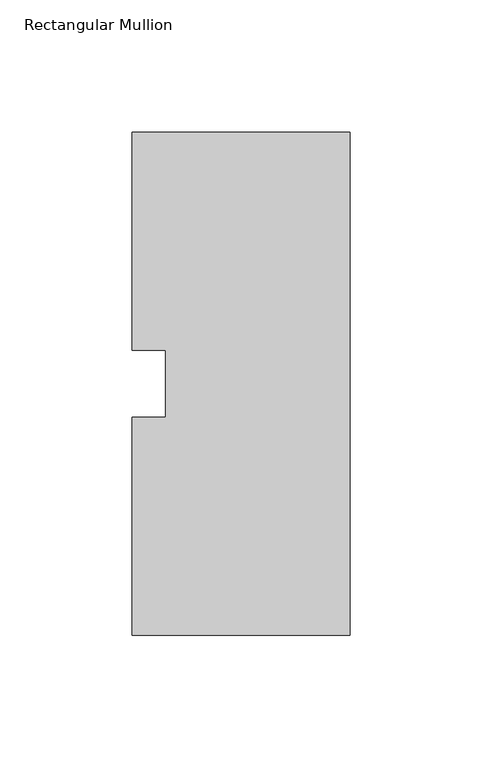
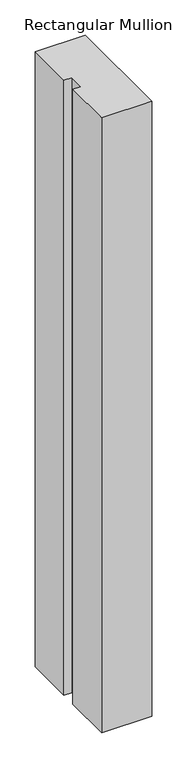
"""IFC4 building model written with IfcOpenShell, lengths in millimetres: member geometry, Rectangular Mullion."""

from ifc_helpers import new_model, si_unit, frame, origin, place, context, project, spatial, polyline, outline, extrude, source, transform, mapped, element, save


def rectangular_mullion_4aec31fe(model_context):
    return source(origin(), model_context, "Body", "SweptSolid", [
        extrude(outline(polyline([(-82.55, 95.25), (0.0, 95.25), (0.0, -95.25), (-82.55, -95.25), (-82.55, -12.7), (-69.85, -12.7), (-69.85, 12.7), (-82.55, 12.7), (-82.55, 95.25)])), frame((0.0, 0.0, -1071.1344027), z_axis=(0.0, 0.0, 1.0), x_axis=(1.0, 0.0, 0.0)), (0.0, 0.0, 1.0), 1071.1344027),
    ])


if __name__ == "__main__":
    model = new_model("IFC4")
    model_context = context("Model", 3, world=origin())
    ifc_project = project(units=[si_unit("LENGTHUNIT", "METRE", prefix="MILLI")], contexts=[model_context])
    site = spatial("IfcSite", under=ifc_project)
    building = spatial("IfcBuilding", under=site)
    placement = place(None, origin())
    rectangular_mullion_shape = rectangular_mullion_4aec31fe(model_context)
    element("IfcMember", 1, ObjectType="Rectangular Mullion", at=placement, inside=building, context=model_context, shape_type="MappedRepresentation", body=[
        mapped(rectangular_mullion_shape, transform((0.0, 0.0, 0.0), x_axis=(1.0, 0.0, 0.0), y_axis=(0.0, 1.0, 0.0), z_axis=(0.0, 0.0, 1.0))),
    ])
    save(model, "model.ifc")
